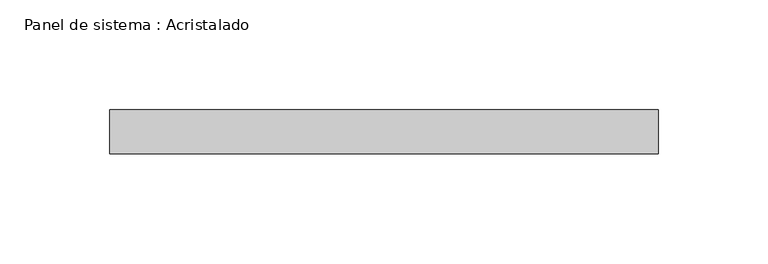
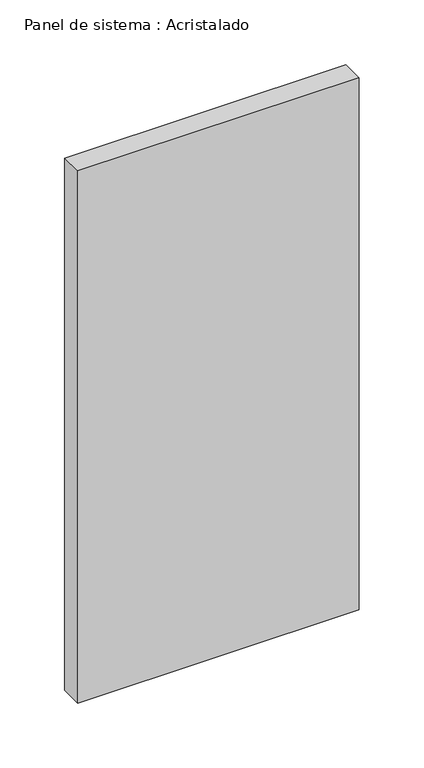
"""IFC4 building model written with IfcOpenShell, lengths in millimetres: plate geometry, Panel de sistema : Acristalado."""

import ifcopenshell
import ifcopenshell.guid

model = None  # the IFC model being written
_history = None  # IfcOwnerHistory: only IFC2X3 demands one
_inside = {}  # id of a spatial element -> (the spatial element, [elements in it])
_under = {}  # id of a project, library or spatial element -> (it, [spatial elements below it])
_declared = {}  # id of a project -> (the project, [libraries it declares])
_typed = {}  # id of a type object -> (the type object, [elements of that type])
_made_of = {}  # id of a material, layer set ... -> (it, [elements and type objects made of it])


def new_model(schema):
    """Start an empty IFC model of exactly this schema.

    Asked for "IFC4X3", IfcOpenShell would pick the latest addendum, in which some entities
    have other attributes; the version numbers below select the first issue.
    IFC2X3 requires an IfcOwnerHistory on every rooted entity: one is made here for all.
    """
    global model, _history
    if schema == "IFC4X3":
        model = ifcopenshell.file(schema_version=(4, 3, 0, 0))
    else:
        model = ifcopenshell.file(schema=schema)
    _inside.clear()
    _under.clear()
    _declared.clear()
    _typed.clear()
    _made_of.clear()
    _history = None
    if model.schema == "IFC2X3":
        org = make("IfcOrganization", Name="unknown")
        user = make(
            "IfcPersonAndOrganization",
            ThePerson=make("IfcPerson", FamilyName="unknown"),
            TheOrganization=org,
        )
        app = make(
            "IfcApplication",
            ApplicationDeveloper=org,
            Version="unknown",
            ApplicationFullName="unknown",
            ApplicationIdentifier="unknown",
        )
        _history = make(
            "IfcOwnerHistory",
            OwningUser=user,
            OwningApplication=app,
            ChangeAction="ADDED",
            CreationDate=0,
        )
    return model


def make(cls, **values):
    """One entity of the class cls with the attributes given. An attribute that is None is left unset."""
    return model.create_entity(
        cls, **{name: value for name, value in values.items() if value is not None}
    )


def rooted(cls, **values):
    """An entity with a GlobalId (a new one), such as an element, a storey or a relation."""
    return make(cls, GlobalId=ifcopenshell.guid.new(), OwnerHistory=_history, **values)


def si_unit(unit_type, name, prefix=None):
    """IfcSIUnit, for example si_unit("LENGTHUNIT", "METRE", prefix="MILLI")."""
    return make("IfcSIUnit", UnitType=unit_type, Prefix=prefix, Name=name)


def assignment(units):
    """IfcUnitAssignment: the units of a project."""
    return None if units is None else make("IfcUnitAssignment", Units=units)


def point(xyz):
    """IfcCartesianPoint."""
    return None if xyz is None else make("IfcCartesianPoint", Coordinates=xyz)


def direction(xyz):
    """IfcDirection."""
    return None if xyz is None else make("IfcDirection", DirectionRatios=xyz)


def frame(location, z_axis=None, x_axis=None):
    """IfcAxis2Placement3D, a coordinate frame: its origin and axes. An axis left out is left unset."""
    return make(
        "IfcAxis2Placement3D",
        Location=point(location),
        Axis=direction(z_axis),
        RefDirection=direction(x_axis),
    )


def origin():
    """The frame at (0, 0, 0) with its axes left unset."""
    return frame((0.0, 0.0, 0.0))


def origin_with_axes():
    """The frame at (0, 0, 0) with the z axis (0, 0, 1) and the x axis (1, 0, 0) written out."""
    return frame((0.0, 0.0, 0.0), z_axis=(0.0, 0.0, 1.0), x_axis=(1.0, 0.0, 0.0))


def place(relative_to, where):
    """IfcLocalPlacement: puts the frame where relative to a parent placement (None: the world)."""
    return make(
        "IfcLocalPlacement", PlacementRelTo=relative_to, RelativePlacement=where
    )


def context(
    kind, dimensions, precision=None, world=None, true_north=None, identifier=None
):
    """IfcGeometricRepresentationContext, for example the 3D "Model" context."""
    return make(
        "IfcGeometricRepresentationContext",
        ContextIdentifier=identifier,
        ContextType=kind,
        CoordinateSpaceDimension=dimensions,
        Precision=precision,
        WorldCoordinateSystem=world,
        TrueNorth=true_north,
    )


def project(units=None, contexts=None):
    """IfcProject with its units and contexts."""
    return rooted(
        "IfcProject",
        Name="project",
        RepresentationContexts=contexts,
        UnitsInContext=assignment(units),
    )


def spatial(cls, under=None, at=None, **own):
    """A site, building, storey or space (cls), placed at a placement, below another one or the project."""
    s = rooted(cls, ObjectPlacement=at, **own)
    if under is not None:
        _under.setdefault(under.id(), (under, []))[1].append(s)
    return s


def polyline(points):
    """IfcPolyline through the points."""
    return make("IfcPolyline", Points=[point(p) for p in points])


def outline(outer, holes=None, kind="AREA"):
    """IfcArbitraryClosedProfileDef: a profile drawn as a closed curve; with holes, ...WithVoids."""
    if holes is None:
        return make("IfcArbitraryClosedProfileDef", ProfileType=kind, OuterCurve=outer)
    return make(
        "IfcArbitraryProfileDefWithVoids",
        ProfileType=kind,
        OuterCurve=outer,
        InnerCurves=holes,
    )


def extrude(swept, where, along, depth):
    """IfcExtrudedAreaSolid: the profile swept, set in the frame where, extruded along a direction by depth."""
    return make(
        "IfcExtrudedAreaSolid",
        SweptArea=swept,
        Position=where,
        ExtrudedDirection=direction(along),
        Depth=depth,
    )


def shape(context_of_items, identifier, shape_type, items):
    """IfcShapeRepresentation: the items that make up one representation, for example the "Body"."""
    return make(
        "IfcShapeRepresentation",
        ContextOfItems=context_of_items,
        RepresentationIdentifier=identifier,
        RepresentationType=shape_type,
        Items=items,
    )


def source(mapping_origin, context_of_items, identifier, shape_type, items):
    """IfcRepresentationMap: a shape defined once, which mapped items show again and again."""
    return make(
        "IfcRepresentationMap",
        MappingOrigin=mapping_origin,
        MappedRepresentation=shape(context_of_items, identifier, shape_type, items),
    )


def transform(
    local_origin,
    x_axis=None,
    y_axis=None,
    z_axis=None,
    scale=None,
    scale2=None,
    scale3=None,
    uniform=True,
):
    """IfcCartesianTransformationOperator3D, or its non-uniform kind. x_axis, y_axis, z_axis: its Axis1, 2, 3."""
    if uniform:
        return make(
            "IfcCartesianTransformationOperator3D",
            Axis1=direction(x_axis),
            Axis2=direction(y_axis),
            LocalOrigin=point(local_origin),
            Scale=scale,
            Axis3=direction(z_axis),
        )
    return make(
        "IfcCartesianTransformationOperator3DnonUniform",
        Axis1=direction(x_axis),
        Axis2=direction(y_axis),
        LocalOrigin=point(local_origin),
        Scale=scale,
        Axis3=direction(z_axis),
        Scale2=scale2,
        Scale3=scale3,
    )


def mapped(mapping_source, mapping_target):
    """IfcMappedItem: shows the shape of a source again, moved by a transform."""
    return make(
        "IfcMappedItem", MappingSource=mapping_source, MappingTarget=mapping_target
    )


def made_of(thing, what):
    """Note that an element or type object is made of a material, layer set ...; save() writes the relation."""
    if what is not None:
        _made_of.setdefault(what.id(), (what, []))[1].append(thing)
    return thing


def element(
    cls,
    number,
    at=None,
    inside=None,
    cuts=None,
    type_object=None,
    material=None,
    context=None,
    identifier="Body",
    shape_type=None,
    held_by="IfcProductDefinitionShape",
    body=None,
    shapes=None,
    **own,
):
    """One element of the class cls, such as IfcWall. Its Tag is "e" and its number.

    at: its placement. inside: the storey or other place that contains it. cuts: it is an
    opening in that element (IfcRelVoidsElement). A single representation is given by context,
    identifier, shape_type and body (its items); several are given by shapes. held_by: the class
    of the entity that holds the representations. save() writes the other relations.
    """
    e = rooted(cls, Tag="e%d" % number, ObjectPlacement=at, **own)
    if body is not None:
        shapes = [shape(context, identifier, shape_type, body)]
    if shapes is not None:
        e.Representation = make(held_by, Representations=shapes)
    if inside is not None:
        _inside.setdefault(inside.id(), (inside, []))[1].append(e)
    if cuts is not None:
        rooted(
            "IfcRelVoidsElement", RelatingBuildingElement=cuts, RelatedOpeningElement=e
        )
    if type_object is not None:
        _typed.setdefault(type_object.id(), (type_object, []))[1].append(e)
    return made_of(e, material)


def aggregate(whole, parts):
    """IfcRelAggregates: a whole, such as a stair, and the parts it consists of."""
    return rooted("IfcRelAggregates", RelatingObject=whole, RelatedObjects=parts)


def save(model, path):
    """Write the relations noted so far, then the file.

    IfcRelAggregates (storeys below a building ...), IfcRelContainedInSpatialStructure (elements
    in a storey), IfcRelDefinesByType, IfcRelAssociatesMaterial and IfcRelDeclares: one each for
    every whole, place, type object, material and project.
    """
    for whole, parts in _under.values():
        aggregate(whole, parts)
    for where, things in _inside.values():
        rooted(
            "IfcRelContainedInSpatialStructure",
            RelatedElements=things,
            RelatingStructure=where,
        )
    for kind, things in _typed.values():
        rooted("IfcRelDefinesByType", RelatedObjects=things, RelatingType=kind)
    for what, things in _made_of.values():
        rooted("IfcRelAssociatesMaterial", RelatedObjects=things, RelatingMaterial=what)
    for by, libraries in _declared.values():
        rooted("IfcRelDeclares", RelatingContext=by, RelatedDefinitions=libraries)
    model.write(path)


def panel_de_sistema_acristalado_958342d5(model_context):
    return source(origin(), model_context, "Body", "SweptSolid", [
        extrude(outline(polyline([(125.0, -10.0), (-125.0, -10.0), (-125.0, 10.0), (125.0, 10.0), (125.0, -10.0)])), origin_with_axes(), (0.0, 0.0, 1.0), 500.0),
    ])


if __name__ == "__main__":
    model = new_model("IFC4")
    model_context = context("Model", 3, world=origin())
    ifc_project = project(units=[si_unit("LENGTHUNIT", "METRE", prefix="MILLI")], contexts=[model_context])
    site = spatial("IfcSite", under=ifc_project)
    building = spatial("IfcBuilding", under=site)
    placement = place(None, origin())
    panel_de_sistema_acristalado_shape = panel_de_sistema_acristalado_958342d5(model_context)
    element("IfcPlate", 1, ObjectType="Panel de sistema : Acristalado", at=placement, inside=building, context=model_context, shape_type="MappedRepresentation", body=[
        mapped(panel_de_sistema_acristalado_shape, transform((0.0, 0.0, 0.0), x_axis=(1.0, 0.0, 0.0), y_axis=(0.0, 1.0, 0.0), z_axis=(0.0, 0.0, 1.0))),
    ])
    save(model, "model.ifc")
